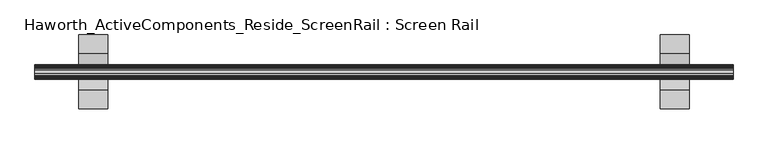
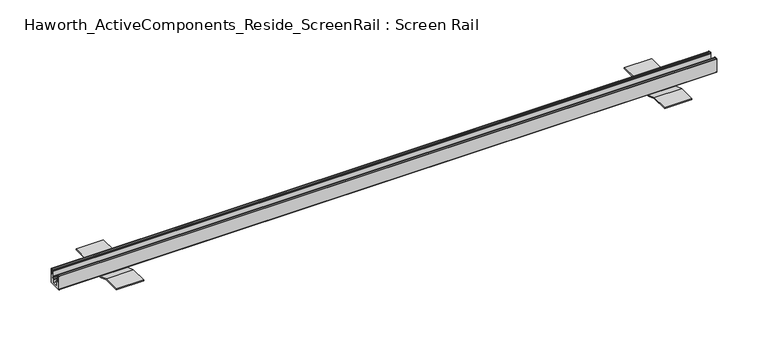
"""IFC4 building model written with IfcOpenShell, lengths in millimetres: furniture geometry, Haworth_ActiveComponents_Reside_ScreenRail : Screen Rail."""

import ifcopenshell
import ifcopenshell.guid

model = None  # the IFC model being written
_history = None  # IfcOwnerHistory: only IFC2X3 demands one
_inside = {}  # id of a spatial element -> (the spatial element, [elements in it])
_under = {}  # id of a project, library or spatial element -> (it, [spatial elements below it])
_declared = {}  # id of a project -> (the project, [libraries it declares])
_typed = {}  # id of a type object -> (the type object, [elements of that type])
_made_of = {}  # id of a material, layer set ... -> (it, [elements and type objects made of it])


def new_model(schema):
    """Start an empty IFC model of exactly this schema.

    Asked for "IFC4X3", IfcOpenShell would pick the latest addendum, in which some entities
    have other attributes; the version numbers below select the first issue.
    IFC2X3 requires an IfcOwnerHistory on every rooted entity: one is made here for all.
    """
    global model, _history
    if schema == "IFC4X3":
        model = ifcopenshell.file(schema_version=(4, 3, 0, 0))
    else:
        model = ifcopenshell.file(schema=schema)
    _inside.clear()
    _under.clear()
    _declared.clear()
    _typed.clear()
    _made_of.clear()
    _history = None
    if model.schema == "IFC2X3":
        org = make("IfcOrganization", Name="unknown")
        user = make(
            "IfcPersonAndOrganization",
            ThePerson=make("IfcPerson", FamilyName="unknown"),
            TheOrganization=org,
        )
        app = make(
            "IfcApplication",
            ApplicationDeveloper=org,
            Version="unknown",
            ApplicationFullName="unknown",
            ApplicationIdentifier="unknown",
        )
        _history = make(
            "IfcOwnerHistory",
            OwningUser=user,
            OwningApplication=app,
            ChangeAction="ADDED",
            CreationDate=0,
        )
    return model


def make(cls, **values):
    """One entity of the class cls with the attributes given. An attribute that is None is left unset."""
    return model.create_entity(
        cls, **{name: value for name, value in values.items() if value is not None}
    )


def rooted(cls, **values):
    """An entity with a GlobalId (a new one), such as an element, a storey or a relation."""
    return make(cls, GlobalId=ifcopenshell.guid.new(), OwnerHistory=_history, **values)


def si_unit(unit_type, name, prefix=None):
    """IfcSIUnit, for example si_unit("LENGTHUNIT", "METRE", prefix="MILLI")."""
    return make("IfcSIUnit", UnitType=unit_type, Prefix=prefix, Name=name)


def assignment(units):
    """IfcUnitAssignment: the units of a project."""
    return None if units is None else make("IfcUnitAssignment", Units=units)


def point(xyz):
    """IfcCartesianPoint."""
    return None if xyz is None else make("IfcCartesianPoint", Coordinates=xyz)


def direction(xyz):
    """IfcDirection."""
    return None if xyz is None else make("IfcDirection", DirectionRatios=xyz)


def frame(location, z_axis=None, x_axis=None):
    """IfcAxis2Placement3D, a coordinate frame: its origin and axes. An axis left out is left unset."""
    return make(
        "IfcAxis2Placement3D",
        Location=point(location),
        Axis=direction(z_axis),
        RefDirection=direction(x_axis),
    )


def frame_2d(location, x_axis=None):
    """IfcAxis2Placement2D, a coordinate frame in the plane: its origin and x axis."""
    return make(
        "IfcAxis2Placement2D", Location=point(location), RefDirection=direction(x_axis)
    )


def origin():
    """The frame at (0, 0, 0) with its axes left unset."""
    return frame((0.0, 0.0, 0.0))


def place(relative_to, where):
    """IfcLocalPlacement: puts the frame where relative to a parent placement (None: the world)."""
    return make(
        "IfcLocalPlacement", PlacementRelTo=relative_to, RelativePlacement=where
    )


def context(
    kind, dimensions, precision=None, world=None, true_north=None, identifier=None
):
    """IfcGeometricRepresentationContext, for example the 3D "Model" context."""
    return make(
        "IfcGeometricRepresentationContext",
        ContextIdentifier=identifier,
        ContextType=kind,
        CoordinateSpaceDimension=dimensions,
        Precision=precision,
        WorldCoordinateSystem=world,
        TrueNorth=true_north,
    )


def project(units=None, contexts=None):
    """IfcProject with its units and contexts."""
    return rooted(
        "IfcProject",
        Name="project",
        RepresentationContexts=contexts,
        UnitsInContext=assignment(units),
    )


def spatial(cls, under=None, at=None, **own):
    """A site, building, storey or space (cls), placed at a placement, below another one or the project."""
    s = rooted(cls, ObjectPlacement=at, **own)
    if under is not None:
        _under.setdefault(under.id(), (under, []))[1].append(s)
    return s


def polyline(points):
    """IfcPolyline through the points."""
    return make("IfcPolyline", Points=[point(p) for p in points])


def circle_curve(where, radius):
    """IfcCircle in the frame where."""
    return make("IfcCircle", Position=where, Radius=radius)


def trimmed(basis, trim1, trim2, sense, master):
    """IfcTrimmedCurve: the piece of a basis curve between two trims."""
    return make(
        "IfcTrimmedCurve",
        BasisCurve=basis,
        Trim1=trim1,
        Trim2=trim2,
        SenseAgreement=sense,
        MasterRepresentation=master,
    )


def segment(curve, same_sense, transition):
    """IfcCompositeCurveSegment."""
    return make(
        "IfcCompositeCurveSegment",
        Transition=transition,
        SameSense=same_sense,
        ParentCurve=curve,
    )


def composite_curve(segments, self_intersect=None):
    """IfcCompositeCurve: segments joined end to end."""
    return make("IfcCompositeCurve", Segments=segments, SelfIntersect=self_intersect)


def outline(outer, holes=None, kind="AREA"):
    """IfcArbitraryClosedProfileDef: a profile drawn as a closed curve; with holes, ...WithVoids."""
    if holes is None:
        return make("IfcArbitraryClosedProfileDef", ProfileType=kind, OuterCurve=outer)
    return make(
        "IfcArbitraryProfileDefWithVoids",
        ProfileType=kind,
        OuterCurve=outer,
        InnerCurves=holes,
    )


def extrude(swept, where, along, depth):
    """IfcExtrudedAreaSolid: the profile swept, set in the frame where, extruded along a direction by depth."""
    return make(
        "IfcExtrudedAreaSolid",
        SweptArea=swept,
        Position=where,
        ExtrudedDirection=direction(along),
        Depth=depth,
    )


def shape(context_of_items, identifier, shape_type, items):
    """IfcShapeRepresentation: the items that make up one representation, for example the "Body"."""
    return make(
        "IfcShapeRepresentation",
        ContextOfItems=context_of_items,
        RepresentationIdentifier=identifier,
        RepresentationType=shape_type,
        Items=items,
    )


def source(mapping_origin, context_of_items, identifier, shape_type, items):
    """IfcRepresentationMap: a shape defined once, which mapped items show again and again."""
    return make(
        "IfcRepresentationMap",
        MappingOrigin=mapping_origin,
        MappedRepresentation=shape(context_of_items, identifier, shape_type, items),
    )


def transform(
    local_origin,
    x_axis=None,
    y_axis=None,
    z_axis=None,
    scale=None,
    scale2=None,
    scale3=None,
    uniform=True,
):
    """IfcCartesianTransformationOperator3D, or its non-uniform kind. x_axis, y_axis, z_axis: its Axis1, 2, 3."""
    if uniform:
        return make(
            "IfcCartesianTransformationOperator3D",
            Axis1=direction(x_axis),
            Axis2=direction(y_axis),
            LocalOrigin=point(local_origin),
            Scale=scale,
            Axis3=direction(z_axis),
        )
    return make(
        "IfcCartesianTransformationOperator3DnonUniform",
        Axis1=direction(x_axis),
        Axis2=direction(y_axis),
        LocalOrigin=point(local_origin),
        Scale=scale,
        Axis3=direction(z_axis),
        Scale2=scale2,
        Scale3=scale3,
    )


def mapped(mapping_source, mapping_target):
    """IfcMappedItem: shows the shape of a source again, moved by a transform."""
    return make(
        "IfcMappedItem", MappingSource=mapping_source, MappingTarget=mapping_target
    )


def made_of(thing, what):
    """Note that an element or type object is made of a material, layer set ...; save() writes the relation."""
    if what is not None:
        _made_of.setdefault(what.id(), (what, []))[1].append(thing)
    return thing


def element(
    cls,
    number,
    at=None,
    inside=None,
    cuts=None,
    type_object=None,
    material=None,
    context=None,
    identifier="Body",
    shape_type=None,
    held_by="IfcProductDefinitionShape",
    body=None,
    shapes=None,
    **own,
):
    """One element of the class cls, such as IfcWall. Its Tag is "e" and its number.

    at: its placement. inside: the storey or other place that contains it. cuts: it is an
    opening in that element (IfcRelVoidsElement). A single representation is given by context,
    identifier, shape_type and body (its items); several are given by shapes. held_by: the class
    of the entity that holds the representations. save() writes the other relations.
    """
    e = rooted(cls, Tag="e%d" % number, ObjectPlacement=at, **own)
    if body is not None:
        shapes = [shape(context, identifier, shape_type, body)]
    if shapes is not None:
        e.Representation = make(held_by, Representations=shapes)
    if inside is not None:
        _inside.setdefault(inside.id(), (inside, []))[1].append(e)
    if cuts is not None:
        rooted(
            "IfcRelVoidsElement", RelatingBuildingElement=cuts, RelatedOpeningElement=e
        )
    if type_object is not None:
        _typed.setdefault(type_object.id(), (type_object, []))[1].append(e)
    return made_of(e, material)


def aggregate(whole, parts):
    """IfcRelAggregates: a whole, such as a stair, and the parts it consists of."""
    return rooted("IfcRelAggregates", RelatingObject=whole, RelatedObjects=parts)


def save(model, path):
    """Write the relations noted so far, then the file.

    IfcRelAggregates (storeys below a building ...), IfcRelContainedInSpatialStructure (elements
    in a storey), IfcRelDefinesByType, IfcRelAssociatesMaterial and IfcRelDeclares: one each for
    every whole, place, type object, material and project.
    """
    for whole, parts in _under.values():
        aggregate(whole, parts)
    for where, things in _inside.values():
        rooted(
            "IfcRelContainedInSpatialStructure",
            RelatedElements=things,
            RelatingStructure=where,
        )
    for kind, things in _typed.values():
        rooted("IfcRelDefinesByType", RelatedObjects=things, RelatingType=kind)
    for what, things in _made_of.values():
        rooted("IfcRelAssociatesMaterial", RelatedObjects=things, RelatingMaterial=what)
    for by, libraries in _declared.values():
        rooted("IfcRelDeclares", RelatingContext=by, RelatedDefinitions=libraries)
    model.write(path)


def haworth_activecomponents_reside_screenrail_screen_rail_0a88189d(model_context):
    return source(origin(), model_context, "Body", "SweptSolid", [
        extrude(outline(polyline([(266.6774613, 708.5329874), (217.7348455, 708.5329874), (189.5408474, 698.5000242), (150.393891, 698.5000242), (121.7394514, 708.5329874), (72.7968356, 708.5329874), (72.7968356, 711.1999758), (122.1998021, 711.1999031), (150.3938433, 701.1670126), (189.0804536, 701.1670126), (217.2744948, 711.1999031), (266.6774613, 711.1999758), (266.6774613, 708.5329874)])), frame((855.6625, 0.0, 0.0), z_axis=(1.0, 0.0, 0.0), x_axis=(0.0, 1.0, 0.0)), (0.0, 0.0, 1.0), 76.2),
        extrude(outline(polyline([(266.6774613, 708.5329874), (217.7348455, 708.5329874), (189.5408474, 698.5000242), (150.393891, 698.5000242), (121.7394514, 708.5329874), (72.7968356, 708.5329874), (72.7968356, 711.1999758), (122.1998021, 711.1999031), (150.3938433, 701.1670126), (189.0804536, 701.1670126), (217.2744948, 711.1999031), (266.6774613, 711.1999758), (266.6774613, 708.5329874)])), frame((-668.3375, 0.0, 0.0), z_axis=(1.0, 0.0, 0.0), x_axis=(0.0, 1.0, 0.0)), (0.0, 0.0, 1.0), 76.2),
        extrude(outline(composite_curve([segment(polyline([(160.7328482, 705.1294161), (178.7414487, 705.1294161), (178.7414487, 716.8133686), (174.8171487, 716.8133686), (174.8171487, 718.8200048), (179.9860482, 718.8200048), (179.9860482, 721.0551882), (181.179848, 722.0711872), (181.179848, 737.1334219), (179.9860482, 738.1494209), (179.9860482, 740.1051882), (181.0327853, 740.9960276)]), True, "CONTINUOUS"), segment(trimmed(circle_curve(frame_2d((181.4689941, 740.4834819)), 0.6730388), [point((181.0327853, 740.9960276))], [point((182.1325488, 740.5960712))], False, "CARTESIAN"), True, "CONTINUOUS"), segment(polyline([(182.1325488, 740.5960712), (183.2372487, 734.0854248), (183.2372487, 721.131419), (186.3868487, 721.131419), (186.3868487, 725.1191843), (187.1361489, 725.8812017), (187.1361489, 740.3039756)]), True, "CONTINUOUS"), segment(trimmed(circle_curve(frame_2d((187.9362488, 740.3039756)), 0.8000999), [point((187.1361489, 740.3039756))], [point((188.7363487, 740.3039756))], False, "CARTESIAN"), True, "CONTINUOUS"), segment(polyline([(188.7363487, 740.3039756), (188.7363487, 702.1830128)]), True, "CONTINUOUS"), segment(trimmed(circle_curve(frame_2d((187.7203486, 702.1830128)), 1.0160002), [point((188.7363487, 702.1830128))], [point((187.7203486, 701.1670126))], False, "CARTESIAN"), True, "CONTINUOUS"), segment(polyline([(187.7203486, 701.1670126), (151.7539483, 701.1670126)]), True, "CONTINUOUS"), segment(trimmed(circle_curve(frame_2d((151.7539483, 702.1830128)), 1.0160002), [point((151.7539483, 701.1670126))], [point((150.7379482, 702.1830128))], False, "CARTESIAN"), True, "CONTINUOUS"), segment(polyline([(150.7379482, 702.1830128), (150.7379482, 740.3039756)]), True, "CONTINUOUS"), segment(trimmed(circle_curve(frame_2d((151.5380481, 740.3039756)), 0.8000999), [point((150.7379482, 740.3039756))], [point((152.338148, 740.3039756))], False, "CARTESIAN"), True, "CONTINUOUS"), segment(polyline([(152.338148, 740.3039756), (152.338148, 725.8812017), (153.0874482, 725.1191843), (153.0874482, 721.131419), (156.2370481, 721.131419), (156.2370481, 734.0854248), (157.3417481, 740.5960712)]), True, "CONTINUOUS"), segment(trimmed(circle_curve(frame_2d((158.0053028, 740.4834819)), 0.6730388), [point((157.3417481, 740.5960712))], [point((158.4415116, 740.9960276))], False, "CARTESIAN"), True, "CONTINUOUS"), segment(polyline([(158.4415116, 740.9960276), (159.4882487, 740.1051882), (159.4882487, 738.1494209), (158.2944489, 737.1334219), (158.2944489, 722.0711872), (159.4882487, 721.0551882), (159.4882487, 718.8200048), (164.6571482, 718.8200048), (164.6571482, 716.8133686), (160.7328482, 716.8133686), (160.7328482, 705.1294161)]), True, "CONTINUOUS")], self_intersect=False)), frame((-782.6375, 0.0, 0.0), z_axis=(1.0, 0.0, 0.0), x_axis=(0.0, 1.0, 0.0)), (0.0, 0.0, 1.0), 1828.8),
    ])


if __name__ == "__main__":
    model = new_model("IFC4")
    model_context = context("Model", 3, world=origin())
    ifc_project = project(units=[si_unit("LENGTHUNIT", "METRE", prefix="MILLI")], contexts=[model_context])
    site = spatial("IfcSite", under=ifc_project)
    building = spatial("IfcBuilding", under=site)
    placement = place(None, origin())
    haworth_activecomponents_reside_screenrail_screen_rail_shape = haworth_activecomponents_reside_screenrail_screen_rail_0a88189d(model_context)
    element("IfcFurniture", 1, ObjectType="Haworth_ActiveComponents_Reside_ScreenRail : Screen Rail", at=placement, inside=building, context=model_context, shape_type="MappedRepresentation", body=[
        mapped(haworth_activecomponents_reside_screenrail_screen_rail_shape, transform((0.0, 0.0, 0.0), x_axis=(1.0, 0.0, 0.0), y_axis=(0.0, 1.0, 0.0), z_axis=(0.0, 0.0, 1.0))),
    ])
    save(model, "model.ifc")
